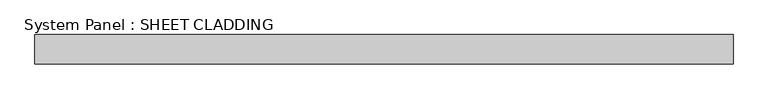
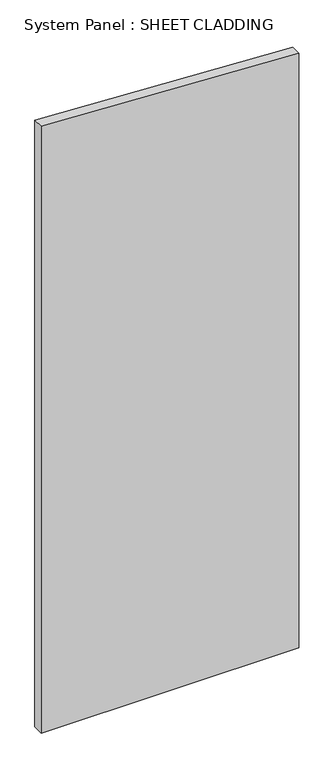
"""IFC4 building model written with IfcOpenShell, lengths in millimetres: plate geometry, System Panel : SHEET CLADDING."""

from ifc_helpers import new_model, si_unit, frame, origin, place, context, project, spatial, polyline, outline, extrude, source, transform, mapped, element, save


def system_panel_sheet_cladding_6fa8db7e(model_context):
    return source(origin(), model_context, "Body", "SweptSolid", [
        extrude(outline(polyline([(0.0, -718.75), (0.0, 718.75), (3503.85, 718.75), (3575.725, -718.75), (0.0, -718.75)])), frame((0.0, -49.5, 0.0), z_axis=(0.0, 1.0, 0.0), x_axis=(0.0, 0.0, 1.0)), (0.0, 0.0, 1.0), 60.0),
    ])


if __name__ == "__main__":
    model = new_model("IFC4")
    model_context = context("Model", 3, world=origin())
    ifc_project = project(units=[si_unit("LENGTHUNIT", "METRE", prefix="MILLI")], contexts=[model_context])
    site = spatial("IfcSite", under=ifc_project)
    building = spatial("IfcBuilding", under=site)
    placement = place(None, origin())
    system_panel_sheet_cladding_shape = system_panel_sheet_cladding_6fa8db7e(model_context)
    element("IfcPlate", 1, ObjectType="System Panel : SHEET CLADDING", at=placement, inside=building, context=model_context, shape_type="MappedRepresentation", body=[
        mapped(system_panel_sheet_cladding_shape, transform((0.0, 0.0, 0.0), x_axis=(1.0, 0.0, 0.0), y_axis=(0.0, 1.0, 0.0), z_axis=(0.0, 0.0, 1.0))),
    ])
    save(model, "model.ifc")
